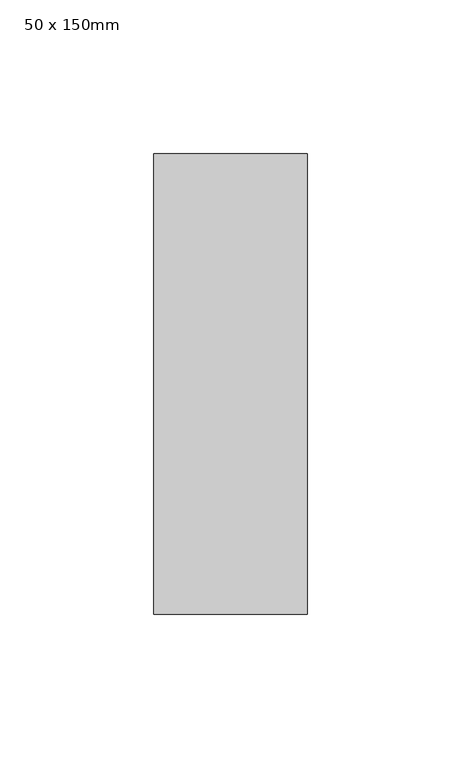
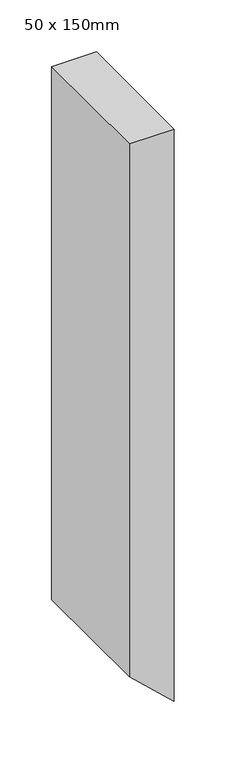
"""IFC4 building model written with IfcOpenShell, lengths in millimetres: member geometry, 50 x 150mm."""

from ifc_helpers import new_model, si_unit, frame, origin, place, context, project, spatial, polyline, outline, extrude, source, transform, mapped, element, save


def member_50_x_150mm_14e9e7f2(model_context):
    return source(origin(), model_context, "Body", "SweptSolid", [
        extrude(outline(polyline([(0.0, 0.0), (0.0, -50.0), (-627.5879907, -50.0), (-673.8472996, 0.0), (0.0, 0.0)])), frame((0.0, -75.0, 0.0), z_axis=(0.0, 1.0, 0.0), x_axis=(0.0, 0.0, 1.0)), (0.0, 0.0, 1.0), 150.0),
    ])


if __name__ == "__main__":
    model = new_model("IFC4")
    model_context = context("Model", 3, world=origin())
    ifc_project = project(units=[si_unit("LENGTHUNIT", "METRE", prefix="MILLI")], contexts=[model_context])
    site = spatial("IfcSite", under=ifc_project)
    building = spatial("IfcBuilding", under=site)
    placement = place(None, origin())
    member_50_x_150mm_shape = member_50_x_150mm_14e9e7f2(model_context)
    element("IfcMember", 1, ObjectType="50 x 150mm", at=placement, inside=building, context=model_context, shape_type="MappedRepresentation", body=[
        mapped(member_50_x_150mm_shape, transform((0.0, 0.0, 0.0), x_axis=(1.0, 0.0, 0.0), y_axis=(0.0, 1.0, 0.0), z_axis=(0.0, 0.0, 1.0))),
    ])
    save(model, "model.ifc")
